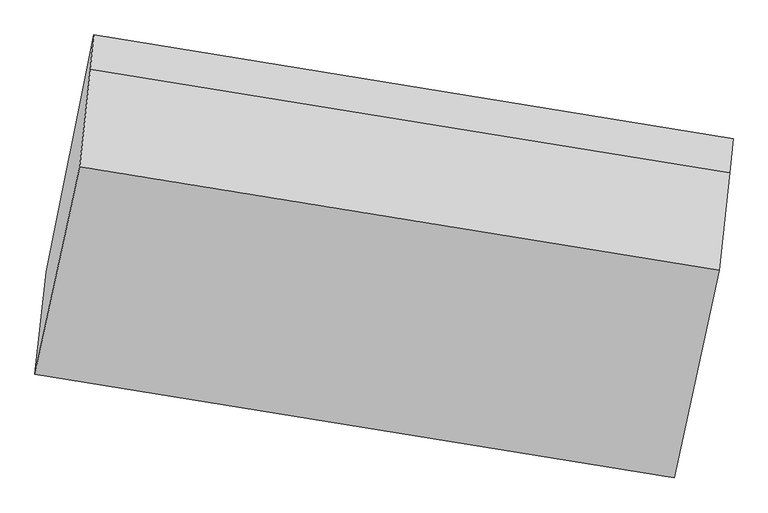
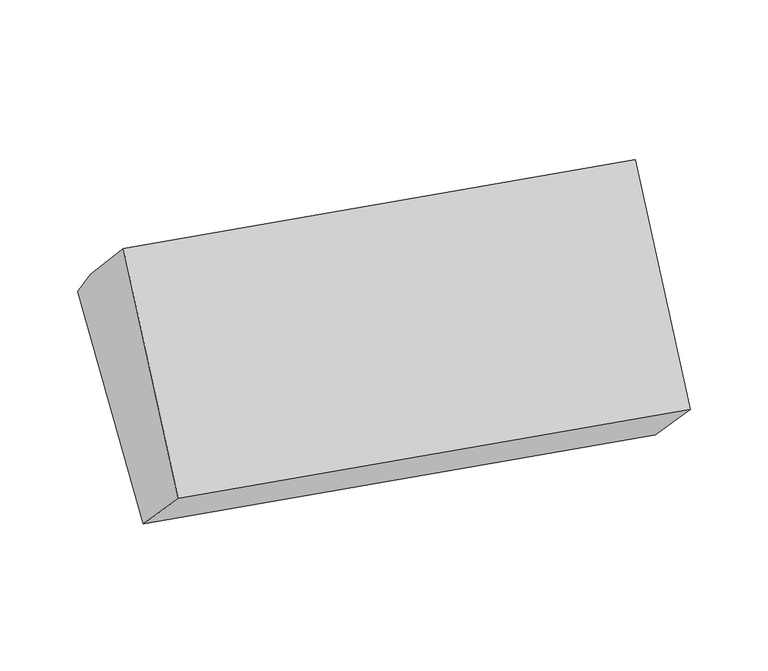
"""IFC4 building model written with IfcOpenShell, lengths in millimetres: proxy geometry."""

from ifc_helpers import new_model, si_unit, origin, place, context, project, spatial, faceted_brep, source, transform, mapped, element, save


def generic_models_f3df8416(model_context):
    return source(origin(), model_context, "Body", "Brep", [
        faceted_brep([(-3823.0661677, -1847.6495053, 1877.4675428), (-3791.7138769, -1565.2219048, 1594.252919), (-2034.1048385, -1849.9247286, 1504.911255), (-2065.4571293, -2132.3523292, 1788.1258788), (-3661.8783313, -915.1364242, 2076.8827969), (-1904.2692929, -1199.839248, 1987.5411329), (-3670.5707591, -1009.3597661, 2206.1367355), (-1912.9617206, -1294.0625899, 2116.7950715), (-3699.9996845, -1277.6236285, 2482.0542946), (-1942.390646, -1562.3264523, 2392.7126306)], [[[0, 1, 2, 3]], [[1, 4, 5]], [[4, 6, 7, 5]], [[6, 8, 9, 7]], [[8, 0, 3, 9]], [[7, 9, 3, 2, 5]], [[0, 8, 6, 4, 1]], [[5, 2, 1]]]),
    ])


if __name__ == "__main__":
    model = new_model("IFC4")
    model_context = context("Model", 3, world=origin())
    ifc_project = project(units=[si_unit("LENGTHUNIT", "METRE", prefix="MILLI")], contexts=[model_context])
    site = spatial("IfcSite", under=ifc_project)
    building = spatial("IfcBuilding", under=site)
    placement = place(None, origin())
    generic_models_shape = generic_models_f3df8416(model_context)
    element("IfcBuildingElementProxy", 1, Name="Generic Models", at=placement, inside=building, context=model_context, shape_type="MappedRepresentation", body=[
        mapped(generic_models_shape, transform((0.0, 0.0, 0.0), x_axis=(1.0, 0.0, 0.0), y_axis=(0.0, 1.0, 0.0), z_axis=(0.0, 0.0, 1.0))),
    ])
    save(model, "model.ifc")
